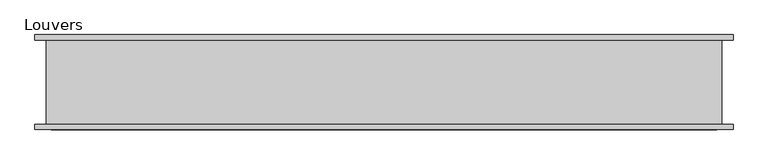
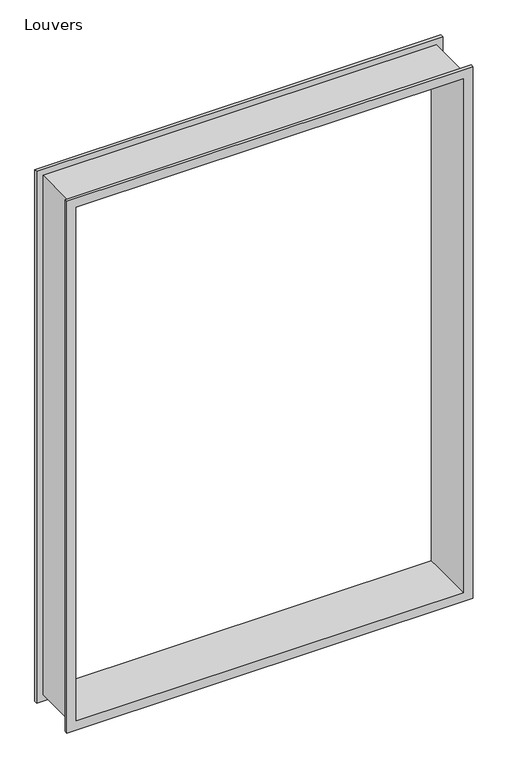
"""IFC4 building model written with IfcOpenShell, lengths in millimetres: proxy geometry, Louvers."""

from ifc_helpers import new_model, si_unit, origin, place, context, project, spatial, faceted_brep, source, transform, mapped, element, save


def louvers_f486e0ec(model_context):
    return source(origin(), model_context, "Body", "Brep", [
        faceted_brep([(943.3893929, -7.7140625, -0.0006), (943.3893929, 8.7859375, -0.0006), (943.3893929, 8.7859375, 3047.9944), (943.3893929, -7.7140625, 3047.9944), (891.2933929, 292.2859375, 52.0954), (891.2933929, -7.7140625, 52.0954), (891.2933929, -7.7140625, 2995.8984), (891.2933929, 292.2859375, 2995.8984), (943.3893929, 275.7859375, -0.0006), (943.3893929, 292.2859375, -0.0006), (943.3893929, 292.2859375, 3047.9944), (943.3893929, 275.7859375, 3047.9944), (908.2933929, 8.7859375, 35.0954), (908.2933929, 275.7859375, 35.0954), (908.2933929, 275.7859375, 3012.8984), (908.2933929, 8.7859375, 3012.8984), (-1260.5550071, 8.7859375, 3047.9944), (-1260.5550071, -7.7140625, 3047.9944), (-1208.4590071, -7.7140625, 2995.8984), (-1208.4590071, 292.2859375, 2995.8984), (-1260.5550071, 292.2859375, 3047.9944), (-1260.5550071, 275.7859375, 3047.9944), (-1225.4590071, 275.7859375, 3012.8984), (-1225.4590071, 8.7859375, 3012.8984), (-1260.5550071, 8.7859375, -0.0006), (-1260.5550071, -7.7140625, -0.0006), (-1208.4590071, -7.7140625, 52.0954), (-1208.4590071, 292.2859375, 52.0954), (-1260.5550071, 292.2859375, -0.0006), (-1260.5550071, 275.7859375, -0.0006), (-1225.4590071, 275.7859375, 35.0954), (-1225.4590071, 8.7859375, 35.0954)], [[[0, 1, 2, 3]], [[4, 5, 6, 7]], [[8, 9, 10, 11]], [[12, 13, 14, 15]], [[3, 2, 16, 17]], [[7, 6, 18, 19]], [[11, 10, 20, 21]], [[15, 14, 22, 23]], [[17, 16, 24, 25]], [[19, 18, 26, 27]], [[21, 20, 28, 29]], [[23, 22, 30, 31]], [[1, 24, 16, 2], [15, 23, 31, 12]], [[25, 24, 1, 0]], [[3, 17, 25, 0], [5, 26, 18, 6]], [[27, 26, 5, 4]], [[9, 28, 20, 10], [7, 19, 27, 4]], [[29, 28, 9, 8]], [[11, 21, 29, 8], [13, 30, 22, 14]], [[31, 30, 13, 12]]]),
    ])


if __name__ == "__main__":
    model = new_model("IFC4")
    model_context = context("Model", 3, world=origin())
    ifc_project = project(units=[si_unit("LENGTHUNIT", "METRE", prefix="MILLI")], contexts=[model_context])
    site = spatial("IfcSite", under=ifc_project)
    building = spatial("IfcBuilding", under=site)
    placement = place(None, origin())
    louvers_shape = louvers_f486e0ec(model_context)
    element("IfcBuildingElementProxy", 1, Name="Louvers", ObjectType="Louvers", at=placement, inside=building, context=model_context, shape_type="MappedRepresentation", body=[
        mapped(louvers_shape, transform((0.0, 0.0, 0.0), x_axis=(1.0, 0.0, 0.0), y_axis=(0.0, 1.0, 0.0), z_axis=(0.0, 0.0, 1.0))),
    ])
    save(model, "model.ifc")
